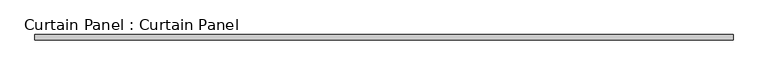
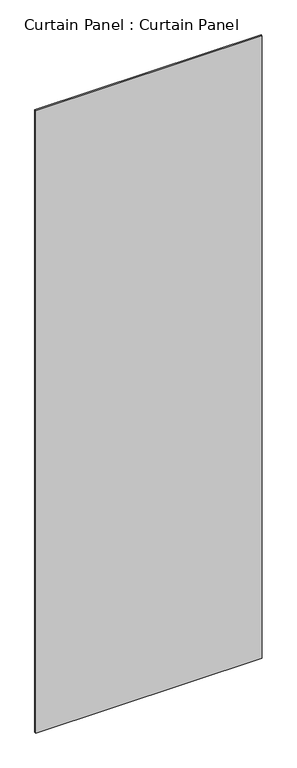
"""IFC4 building model written with IfcOpenShell, lengths in millimetres: plate geometry, Curtain Panel : Curtain Panel."""

from ifc_helpers import new_model, si_unit, frame, origin, place, context, project, spatial, polyline, outline, extrude, source, transform, mapped, element, save


def curtain_panel_curtain_panel_b90dbeec(model_context):
    return source(origin(), model_context, "Body", "SweptSolid", [
        extrude(outline(polyline([(16057.9596912, -1223.9167859), (14724.6265183, -1223.9167859), (14724.6265183, -1213.9167859), (16057.9596912, -1213.9167859), (16057.9596912, -1223.9167859)])), frame((0.0, 0.0, 162.5), z_axis=(0.0, 0.0, 1.0), x_axis=(1.0, 0.0, 0.0)), (0.0, 0.0, 1.0), 3870.5),
    ])


if __name__ == "__main__":
    model = new_model("IFC4")
    model_context = context("Model", 3, world=origin())
    ifc_project = project(units=[si_unit("LENGTHUNIT", "METRE", prefix="MILLI")], contexts=[model_context])
    site = spatial("IfcSite", under=ifc_project)
    building = spatial("IfcBuilding", under=site)
    placement = place(None, origin())
    curtain_panel_curtain_panel_shape = curtain_panel_curtain_panel_b90dbeec(model_context)
    element("IfcPlate", 1, ObjectType="Curtain Panel : Curtain Panel", at=placement, inside=building, context=model_context, shape_type="MappedRepresentation", body=[
        mapped(curtain_panel_curtain_panel_shape, transform((0.0, 0.0, 0.0), x_axis=(1.0, 0.0, 0.0), y_axis=(0.0, 1.0, 0.0), z_axis=(0.0, 0.0, 1.0))),
    ])
    save(model, "model.ifc")
